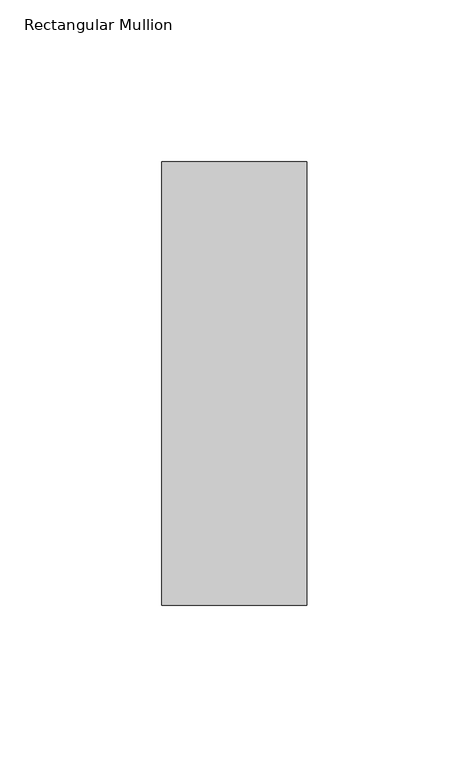
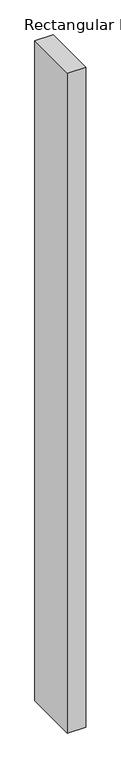
"""IFC4 building model written with IfcOpenShell, lengths in millimetres: member geometry, Rectangular Mullion."""

from ifc_helpers import new_model, si_unit, frame, origin, place, context, project, spatial, polyline, outline, extrude, source, transform, mapped, element, save


def rectangular_mullion_1edd1ccf(model_context):
    return source(origin(), model_context, "Body", "SweptSolid", [
        extrude(outline(polyline([(22.5, 84.19375), (22.5, -53.19375), (-22.5, -53.19375), (-22.5, 84.19375), (22.5, 84.19375)])), frame((0.0, 0.0, -1708.8912252), z_axis=(0.0, 0.0, 1.0), x_axis=(1.0, 0.0, 0.0)), (0.0, 0.0, 1.0), 1708.8912252),
    ])


if __name__ == "__main__":
    model = new_model("IFC4")
    model_context = context("Model", 3, world=origin())
    ifc_project = project(units=[si_unit("LENGTHUNIT", "METRE", prefix="MILLI")], contexts=[model_context])
    site = spatial("IfcSite", under=ifc_project)
    building = spatial("IfcBuilding", under=site)
    placement = place(None, origin())
    rectangular_mullion_shape = rectangular_mullion_1edd1ccf(model_context)
    element("IfcMember", 1, ObjectType="Rectangular Mullion", at=placement, inside=building, context=model_context, shape_type="MappedRepresentation", body=[
        mapped(rectangular_mullion_shape, transform((0.0, 0.0, 0.0), x_axis=(1.0, 0.0, 0.0), y_axis=(0.0, 1.0, 0.0), z_axis=(0.0, 0.0, 1.0))),
    ])
    save(model, "model.ifc")
